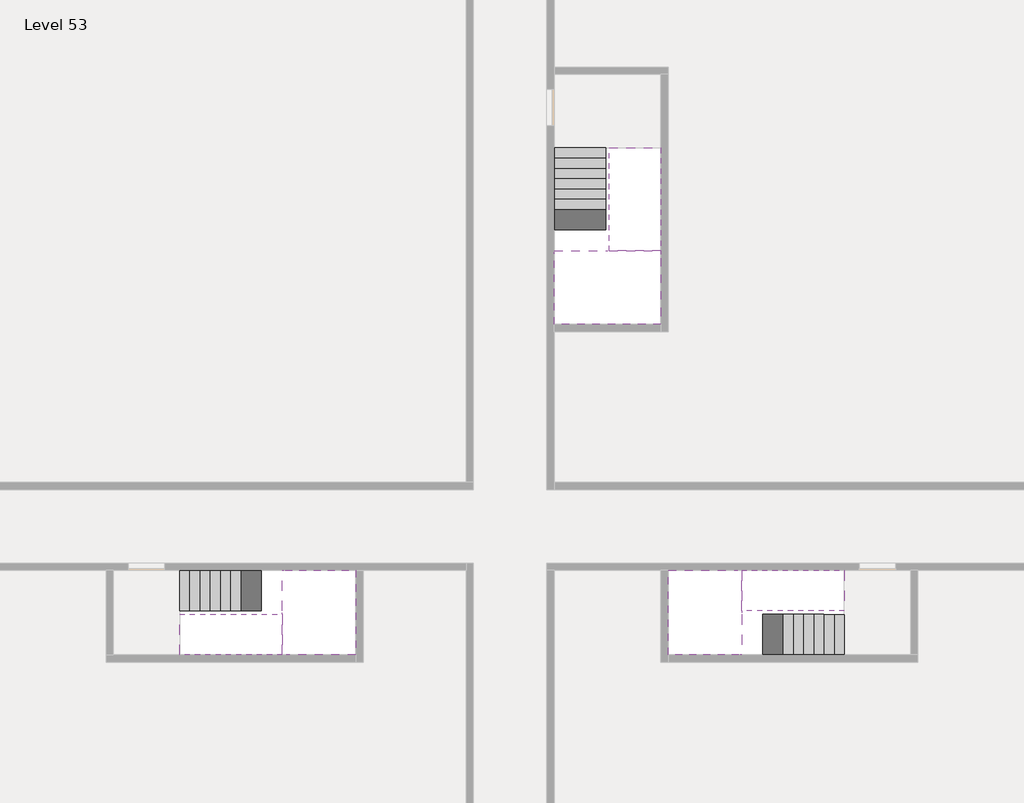
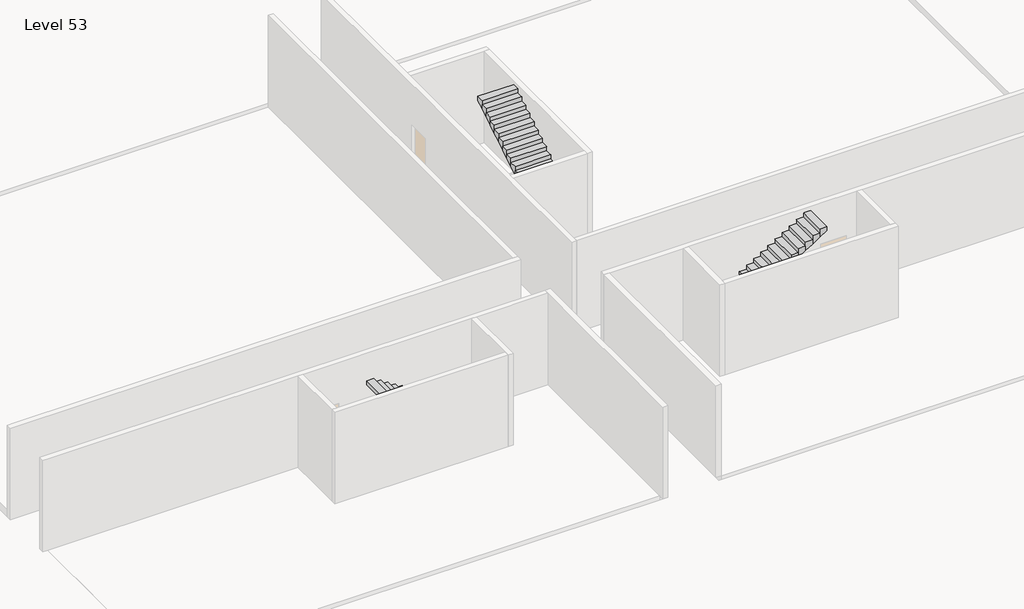
# One storey, part 2 of 2: 6 stair flights, 3 slabs.
"""IFC4 building model written with IfcOpenShell, lengths in millimetres."""

from ifc_helpers import new_model, si_unit, origin, place, context, project, spatial, faceted_brep, element, save

model = new_model("IFC4")

# Units and contexts
model_context = context("Model", 3, world=origin())
ifc_project = project(units=[si_unit("LENGTHUNIT", "METRE", prefix="MILLI")], contexts=[model_context])

# Site, building, storey
site = spatial("IfcSite", under=ifc_project)
building = spatial("IfcBuilding", under=site)
storey = spatial("IfcBuildingStorey", under=building, Name="Level 53", Elevation=197600.0)

# Slabs
placement = place(None, origin())
element("IfcSlab", 1, at=placement, inside=storey, context=model_context, shape_type="Brep", body=[
    faceted_brep([(26790.1058784, -34218.09644, 199500.0), (25390.1058784, -34218.09644, 199500.0), (25390.1058784, -34297.4828763, 199500.0), (25390.1058784, -36218.09644, 199500.0), (28290.1058784, -36218.09644, 199500.0), (28290.1058784, -34418.7100038, 199500.0), (28290.1058784, -34218.09644, 199500.0), (26890.1058784, -34218.09644, 199500.0), (26790.1058784, -34218.09644, 199200.0), (26790.1058784, -34218.09644, 199151.0278478), (25390.1058784, -34218.09644, 199151.0278478), (25390.1058784, -34218.09644, 199327.2727273), (25390.1058784, -34297.4828763, 199200.0), (25390.1058784, -36218.09644, 199200.0), (28290.1058784, -36218.09644, 199200.0), (28290.1058784, -34418.7100038, 199200.0), (28290.1058784, -34218.09644, 199323.7551205), (26890.1058784, -34218.09644, 199323.7551205), (26890.1058784, -34218.09644, 199200.0), (26890.1058784, -34418.7100038, 199200.0), (26790.1058784, -34297.4828763, 199200.0)], [[[0, 1, 2, 3, 4, 5, 6, 7]], [[1, 0, 8, 9, 10, 11]], [[1, 11, 10, 12, 13, 3, 2]], [[4, 3, 13, 14]], [[4, 14, 15, 16, 6, 5]], [[7, 6, 16, 17]], [[0, 7, 17, 18, 8]], [[18, 19, 15, 14, 13, 12, 20, 8]], [[19, 18, 17]], [[20, 12, 10, 9]], [[8, 20, 9]], [[15, 19, 17, 16]]]),
])
element("IfcSlab", 2, at=placement, inside=storey, context=model_context, shape_type="Brep", body=[
    faceted_brep([(30490.1058784, -45218.09644, 199500.0), (30490.1058784, -44118.09644, 199500.0), (30490.1058784, -44018.09644, 199500.0), (30490.1058784, -42918.09644, 199500.0), (30289.4923146, -42918.09644, 199500.0), (28490.1058784, -42918.09644, 199500.0), (28490.1058784, -45218.09644, 199500.0), (30410.7194421, -45218.09644, 199500.0), (30490.1058784, -45218.09644, 199327.2727273), (30490.1058784, -45218.09644, 199151.0278478), (30490.1058784, -44118.09644, 199151.0278478), (30490.1058784, -44118.09644, 199200.0), (30490.1058784, -44018.09644, 199200.0), (30490.1058784, -44018.09644, 199323.7551205), (30490.1058784, -42918.09644, 199323.7551205), (30289.4923146, -42918.09644, 199200.0), (28490.1058784, -42918.09644, 199200.0), (28490.1058784, -45218.09644, 199200.0), (30410.7194421, -45218.09644, 199200.0), (30289.4923146, -44018.09644, 199200.0), (30410.7194421, -44118.09644, 199200.0)], [[[0, 1, 2, 3, 4, 5, 6, 7]], [[1, 0, 8, 9, 10, 11]], [[2, 1, 11, 12, 13]], [[3, 2, 13, 14]], [[3, 14, 15, 16, 5, 4]], [[6, 5, 16, 17]], [[9, 8, 0, 7, 6, 17, 18]], [[19, 12, 11, 20, 18, 17, 16, 15]], [[12, 19, 13]], [[18, 20, 10, 9]], [[20, 11, 10]], [[19, 15, 14, 13]]]),
])
element("IfcSlab", 3, at=placement, inside=storey, context=model_context, shape_type="Brep", body=[
    faceted_brep([(17990.1058784, -42918.09644, 199500.0), (17990.1058784, -44018.09644, 199500.0), (17990.1058784, -44118.09644, 199500.0), (17990.1058784, -45218.09644, 199500.0), (18190.7194421, -45218.09644, 199500.0), (19990.1058784, -45218.09644, 199500.0), (19990.1058784, -42918.09644, 199500.0), (18069.4923146, -42918.09644, 199500.0), (17990.1058784, -42918.09644, 199327.2727273), (17990.1058784, -42918.09644, 199151.0278478), (17990.1058784, -44018.09644, 199151.0278478), (17990.1058784, -44018.09644, 199200.0), (17990.1058784, -44118.09644, 199200.0), (17990.1058784, -44118.09644, 199323.7551205), (17990.1058784, -45218.09644, 199323.7551205), (18190.7194421, -45218.09644, 199200.0), (19990.1058784, -45218.09644, 199200.0), (19990.1058784, -42918.09644, 199200.0), (18069.4923146, -42918.09644, 199200.0), (18190.7194421, -44118.09644, 199200.0), (18069.4923146, -44018.09644, 199200.0)], [[[0, 1, 2, 3, 4, 5, 6, 7]], [[1, 0, 8, 9, 10, 11]], [[2, 1, 11, 12, 13]], [[3, 2, 13, 14]], [[3, 14, 15, 16, 5, 4]], [[6, 5, 16, 17]], [[9, 8, 0, 7, 6, 17, 18]], [[19, 12, 11, 20, 18, 17, 16, 15]], [[12, 19, 13]], [[18, 20, 10, 9]], [[20, 11, 10]], [[19, 15, 14, 13]]]),
])

# Stair flights
element("IfcStairFlight", 4, at=placement, inside=storey, context=model_context, shape_type="Brep", body=[
    faceted_brep([(26790.1058784, -31698.09644, 197772.7272727), (26790.1058784, -31418.09644, 197772.7272727), (25390.1058784, -31418.09644, 197772.7272727), (25390.1058784, -31698.09644, 197772.7272727), (26790.1058784, -31698.09644, 197600.0), (26790.1058784, -31418.09644, 197600.0), (25390.1058784, -31418.09644, 197600.0), (25390.1058784, -31698.09644, 197600.0), (26790.1058784, -31978.09644, 197945.4545455), (26790.1058784, -31698.09644, 197945.4545455), (25390.1058784, -31698.09644, 197945.4545455), (25390.1058784, -31978.09644, 197945.4545455), (26790.1058784, -31978.09644, 197769.209666), (26790.1058784, -31703.7986657, 197600.0), (25390.1058784, -31703.7986657, 197600.0), (25390.1058784, -31978.09644, 197769.209666), (26790.1058784, -32258.09644, 198118.1818182), (26790.1058784, -31978.09644, 198118.1818182), (25390.1058784, -31978.09644, 198118.1818182), (25390.1058784, -32258.09644, 198118.1818182), (26790.1058784, -32258.09644, 197941.9369387), (25390.1058784, -32258.09644, 197941.9369387), (26790.1058784, -32538.09644, 198290.9090909), (26790.1058784, -32258.09644, 198290.9090909), (25390.1058784, -32258.09644, 198290.9090909), (25390.1058784, -32538.09644, 198290.9090909), (26790.1058784, -32538.09644, 198114.6642114), (25390.1058784, -32538.09644, 198114.6642114), (26790.1058784, -32818.09644, 198463.6363636), (26790.1058784, -32538.09644, 198463.6363636), (25390.1058784, -32538.09644, 198463.6363636), (25390.1058784, -32818.09644, 198463.6363636), (26790.1058784, -32818.09644, 198287.3914841), (25390.1058784, -32818.09644, 198287.3914841), (26790.1058784, -33098.09644, 198636.3636364), (26790.1058784, -32818.09644, 198636.3636364), (25390.1058784, -32818.09644, 198636.3636364), (25390.1058784, -33098.09644, 198636.3636364), (26790.1058784, -33098.09644, 198460.1187569), (25390.1058784, -33098.09644, 198460.1187569), (26790.1058784, -33378.09644, 198809.0909091), (26790.1058784, -33098.09644, 198809.0909091), (25390.1058784, -33098.09644, 198809.0909091), (25390.1058784, -33378.09644, 198809.0909091), (26790.1058784, -33378.09644, 198632.8460296), (25390.1058784, -33378.09644, 198632.8460296), (26790.1058784, -33658.09644, 198981.8181818), (26790.1058784, -33378.09644, 198981.8181818), (25390.1058784, -33378.09644, 198981.8181818), (25390.1058784, -33658.09644, 198981.8181818), (26790.1058784, -33658.09644, 198805.5733023), (25390.1058784, -33658.09644, 198805.5733023), (26790.1058784, -33938.09644, 199154.5454545), (26790.1058784, -33658.09644, 199154.5454545), (25390.1058784, -33658.09644, 199154.5454545), (25390.1058784, -33938.09644, 199154.5454545), (26790.1058784, -33938.09644, 198978.3005751), (25390.1058784, -33938.09644, 198978.3005751), (26790.1058784, -34218.09644, 199327.2727273), (26790.1058784, -33938.09644, 199327.2727273), (25390.1058784, -33938.09644, 199327.2727273), (25390.1058784, -34218.09644, 199327.2727273), (26790.1058784, -34218.09644, 199200.0), (26790.1058784, -34218.09644, 199151.0278478), (25390.1058784, -34218.09644, 199151.0278478)], [[[0, 1, 2, 3]], [[1, 0, 4, 5]], [[2, 1, 5, 6]], [[3, 2, 6, 7]], [[8, 9, 10, 11]], [[4, 0, 9, 8, 12, 13]], [[0, 3, 10, 9]], [[3, 7, 14, 15, 11, 10]], [[16, 17, 18, 19]], [[17, 16, 20, 12, 8]], [[8, 11, 18, 17]], [[19, 18, 11, 15, 21]], [[22, 23, 24, 25]], [[23, 22, 26, 20, 16]], [[16, 19, 24, 23]], [[25, 24, 19, 21, 27]], [[28, 29, 30, 31]], [[29, 28, 32, 26, 22]], [[22, 25, 30, 29]], [[31, 30, 25, 27, 33]], [[34, 35, 36, 37]], [[35, 34, 38, 32, 28]], [[28, 31, 36, 35]], [[37, 36, 31, 33, 39]], [[40, 41, 42, 43]], [[41, 40, 44, 38, 34]], [[34, 37, 42, 41]], [[43, 42, 37, 39, 45]], [[46, 47, 48, 49]], [[47, 46, 50, 44, 40]], [[40, 43, 48, 47]], [[49, 48, 43, 45, 51]], [[52, 53, 54, 55]], [[53, 52, 56, 50, 46]], [[46, 49, 54, 53]], [[55, 54, 49, 51, 57]], [[58, 59, 60, 61]], [[59, 58, 62, 63, 56, 52]], [[52, 55, 60, 59]], [[61, 60, 55, 57, 64]], [[58, 61, 64, 63, 62]], [[5, 4, 13, 14, 7, 6]], [[14, 13, 12, 20, 26, 32, 38, 44, 50, 56, 63, 64, 57, 51, 45, 39, 33, 27, 21, 15]]]),
])
element("IfcStairFlight", 5, at=placement, inside=storey, context=model_context, shape_type="Brep", body=[
    faceted_brep([(26890.1058784, -33938.09644, 199672.7272727), (26890.1058784, -34218.09644, 199672.7272727), (28290.1058784, -34218.09644, 199672.7272727), (28290.1058784, -33938.09644, 199672.7272727), (26890.1058784, -33938.09644, 199496.4823932), (26890.1058784, -34218.09644, 199323.7551205), (28290.1058784, -34218.09644, 199323.7551205), (28290.1058784, -34218.09644, 199500.0), (28290.1058784, -33938.09644, 199496.4823932), (26890.1058784, -33658.09644, 199845.4545455), (26890.1058784, -33938.09644, 199845.4545455), (28290.1058784, -33938.09644, 199845.4545455), (28290.1058784, -33658.09644, 199845.4545455), (26890.1058784, -33658.09644, 199669.209666), (28290.1058784, -33658.09644, 199669.209666), (26890.1058784, -33378.09644, 200018.1818182), (26890.1058784, -33658.09644, 200018.1818182), (28290.1058784, -33658.09644, 200018.1818182), (28290.1058784, -33378.09644, 200018.1818182), (26890.1058784, -33378.09644, 199841.9369387), (28290.1058784, -33378.09644, 199841.9369387), (26890.1058784, -33098.09644, 200190.9090909), (26890.1058784, -33378.09644, 200190.9090909), (28290.1058784, -33378.09644, 200190.9090909), (28290.1058784, -33098.09644, 200190.9090909), (26890.1058784, -33098.09644, 200014.6642114), (28290.1058784, -33098.09644, 200014.6642114), (26890.1058784, -32818.09644, 200363.6363636), (26890.1058784, -33098.09644, 200363.6363636), (28290.1058784, -33098.09644, 200363.6363636), (28290.1058784, -32818.09644, 200363.6363636), (26890.1058784, -32818.09644, 200187.3914841), (28290.1058784, -32818.09644, 200187.3914841), (26890.1058784, -32538.09644, 200536.3636364), (26890.1058784, -32818.09644, 200536.3636364), (28290.1058784, -32818.09644, 200536.3636364), (28290.1058784, -32538.09644, 200536.3636364), (26890.1058784, -32538.09644, 200360.1187569), (28290.1058784, -32538.09644, 200360.1187569), (26890.1058784, -32258.09644, 200709.0909091), (26890.1058784, -32538.09644, 200709.0909091), (28290.1058784, -32538.09644, 200709.0909091), (28290.1058784, -32258.09644, 200709.0909091), (26890.1058784, -32258.09644, 200532.8460296), (28290.1058784, -32258.09644, 200532.8460296), (26890.1058784, -31978.09644, 200881.8181818), (26890.1058784, -32258.09644, 200881.8181818), (28290.1058784, -32258.09644, 200881.8181818), (28290.1058784, -31978.09644, 200881.8181818), (26890.1058784, -31978.09644, 200705.5733023), (28290.1058784, -31978.09644, 200705.5733023), (26890.1058784, -31698.09644, 201054.5454545), (26890.1058784, -31978.09644, 201054.5454545), (28290.1058784, -31978.09644, 201054.5454545), (28290.1058784, -31698.09644, 201054.5454545), (26890.1058784, -31698.09644, 200878.3005751), (28290.1058784, -31698.09644, 200878.3005751), (26890.1058784, -31418.09644, 201227.2727273), (26890.1058784, -31698.09644, 201227.2727273), (28290.1058784, -31698.09644, 201227.2727273), (28290.1058784, -31418.09644, 201227.2727273), (26890.1058784, -31418.09644, 201051.0278478), (28290.1058784, -31418.09644, 201051.0278478)], [[[0, 1, 2, 3]], [[1, 0, 4, 5]], [[2, 1, 5, 6, 7]], [[3, 2, 7, 6, 8]], [[9, 10, 11, 12]], [[10, 9, 13, 4, 0]], [[11, 10, 0, 3]], [[12, 11, 3, 8, 14]], [[15, 16, 17, 18]], [[16, 15, 19, 13, 9]], [[17, 16, 9, 12]], [[18, 17, 12, 14, 20]], [[21, 22, 23, 24]], [[22, 21, 25, 19, 15]], [[23, 22, 15, 18]], [[24, 23, 18, 20, 26]], [[27, 28, 29, 30]], [[28, 27, 31, 25, 21]], [[29, 28, 21, 24]], [[30, 29, 24, 26, 32]], [[33, 34, 35, 36]], [[34, 33, 37, 31, 27]], [[35, 34, 27, 30]], [[36, 35, 30, 32, 38]], [[39, 40, 41, 42]], [[40, 39, 43, 37, 33]], [[41, 40, 33, 36]], [[42, 41, 36, 38, 44]], [[45, 46, 47, 48]], [[46, 45, 49, 43, 39]], [[47, 46, 39, 42]], [[48, 47, 42, 44, 50]], [[51, 52, 53, 54]], [[52, 51, 55, 49, 45]], [[53, 52, 45, 48]], [[54, 53, 48, 50, 56]], [[57, 58, 59, 60]], [[58, 57, 61, 55, 51]], [[59, 58, 51, 54]], [[60, 59, 54, 56, 62]], [[57, 60, 62, 61]], [[5, 4, 13, 19, 25, 31, 37, 43, 49, 55, 61, 62, 56, 50, 44, 38, 32, 26, 20, 14, 8, 6]]]),
])
element("IfcStairFlight", 6, at=placement, inside=storey, context=model_context, shape_type="Brep", body=[
    faceted_brep([(33010.1058784, -45218.09644, 197772.7272727), (33290.1058784, -45218.09644, 197772.7272727), (33290.1058784, -44118.09644, 197772.7272727), (33010.1058784, -44118.09644, 197772.7272727), (33010.1058784, -45218.09644, 197600.0), (33290.1058784, -45218.09644, 197600.0), (33290.1058784, -44118.09644, 197600.0), (33010.1058784, -44118.09644, 197600.0), (32730.1058784, -45218.09644, 197945.4545455), (33010.1058784, -45218.09644, 197945.4545455), (33010.1058784, -44118.09644, 197945.4545455), (32730.1058784, -44118.09644, 197945.4545455), (32730.1058784, -45218.09644, 197769.209666), (33004.4036527, -45218.09644, 197600.0), (33004.4036527, -44118.09644, 197600.0), (32730.1058784, -44118.09644, 197769.209666), (32450.1058784, -45218.09644, 198118.1818182), (32730.1058784, -45218.09644, 198118.1818182), (32730.1058784, -44118.09644, 198118.1818182), (32450.1058784, -44118.09644, 198118.1818182), (32450.1058784, -45218.09644, 197941.9369387), (32450.1058784, -44118.09644, 197941.9369387), (32170.1058784, -45218.09644, 198290.9090909), (32450.1058784, -45218.09644, 198290.9090909), (32450.1058784, -44118.09644, 198290.9090909), (32170.1058784, -44118.09644, 198290.9090909), (32170.1058784, -45218.09644, 198114.6642114), (32170.1058784, -44118.09644, 198114.6642114), (31890.1058784, -45218.09644, 198463.6363636), (32170.1058784, -45218.09644, 198463.6363636), (32170.1058784, -44118.09644, 198463.6363636), (31890.1058784, -44118.09644, 198463.6363636), (31890.1058784, -45218.09644, 198287.3914841), (31890.1058784, -44118.09644, 198287.3914841), (31610.1058784, -45218.09644, 198636.3636364), (31890.1058784, -45218.09644, 198636.3636364), (31890.1058784, -44118.09644, 198636.3636364), (31610.1058784, -44118.09644, 198636.3636364), (31610.1058784, -45218.09644, 198460.1187569), (31610.1058784, -44118.09644, 198460.1187569), (31330.1058784, -45218.09644, 198809.0909091), (31610.1058784, -45218.09644, 198809.0909091), (31610.1058784, -44118.09644, 198809.0909091), (31330.1058784, -44118.09644, 198809.0909091), (31330.1058784, -45218.09644, 198632.8460296), (31330.1058784, -44118.09644, 198632.8460296), (31050.1058784, -45218.09644, 198981.8181818), (31330.1058784, -45218.09644, 198981.8181818), (31330.1058784, -44118.09644, 198981.8181818), (31050.1058784, -44118.09644, 198981.8181818), (31050.1058784, -45218.09644, 198805.5733023), (31050.1058784, -44118.09644, 198805.5733023), (30770.1058784, -45218.09644, 199154.5454545), (31050.1058784, -45218.09644, 199154.5454545), (31050.1058784, -44118.09644, 199154.5454545), (30770.1058784, -44118.09644, 199154.5454545), (30770.1058784, -45218.09644, 198978.3005751), (30770.1058784, -44118.09644, 198978.3005751), (30490.1058784, -45218.09644, 199327.2727273), (30770.1058784, -45218.09644, 199327.2727273), (30770.1058784, -44118.09644, 199327.2727273), (30490.1058784, -44118.09644, 199327.2727273), (30490.1058784, -45218.09644, 199151.0278478), (30490.1058784, -44118.09644, 199151.0278478), (30490.1058784, -44118.09644, 199200.0)], [[[0, 1, 2, 3]], [[1, 0, 4, 5]], [[2, 1, 5, 6]], [[3, 2, 6, 7]], [[8, 9, 10, 11]], [[4, 0, 9, 8, 12, 13]], [[0, 3, 10, 9]], [[3, 7, 14, 15, 11, 10]], [[16, 17, 18, 19]], [[17, 16, 20, 12, 8]], [[8, 11, 18, 17]], [[19, 18, 11, 15, 21]], [[22, 23, 24, 25]], [[23, 22, 26, 20, 16]], [[16, 19, 24, 23]], [[25, 24, 19, 21, 27]], [[28, 29, 30, 31]], [[29, 28, 32, 26, 22]], [[22, 25, 30, 29]], [[31, 30, 25, 27, 33]], [[34, 35, 36, 37]], [[35, 34, 38, 32, 28]], [[28, 31, 36, 35]], [[37, 36, 31, 33, 39]], [[40, 41, 42, 43]], [[41, 40, 44, 38, 34]], [[34, 37, 42, 41]], [[43, 42, 37, 39, 45]], [[46, 47, 48, 49]], [[47, 46, 50, 44, 40]], [[40, 43, 48, 47]], [[49, 48, 43, 45, 51]], [[52, 53, 54, 55]], [[53, 52, 56, 50, 46]], [[46, 49, 54, 53]], [[55, 54, 49, 51, 57]], [[58, 59, 60, 61]], [[59, 58, 62, 56, 52]], [[52, 55, 60, 59]], [[61, 60, 55, 57, 63, 64]], [[58, 61, 64, 63, 62]], [[5, 4, 13, 14, 7, 6]], [[14, 13, 12, 20, 26, 32, 38, 44, 50, 56, 62, 63, 57, 51, 45, 39, 33, 27, 21, 15]]]),
])
element("IfcStairFlight", 7, at=placement, inside=storey, context=model_context, shape_type="Brep", body=[
    faceted_brep([(30770.1058784, -42918.09644, 199672.7272727), (30490.1058784, -42918.09644, 199672.7272727), (30490.1058784, -44018.09644, 199672.7272727), (30770.1058784, -44018.09644, 199672.7272727), (30770.1058784, -42918.09644, 199496.4823932), (30490.1058784, -42918.09644, 199323.7551205), (30490.1058784, -42918.09644, 199500.0), (30490.1058784, -44018.09644, 199323.7551205), (30770.1058784, -44018.09644, 199496.4823932), (31050.1058784, -42918.09644, 199845.4545455), (30770.1058784, -42918.09644, 199845.4545455), (30770.1058784, -44018.09644, 199845.4545455), (31050.1058784, -44018.09644, 199845.4545455), (31050.1058784, -42918.09644, 199669.209666), (31050.1058784, -44018.09644, 199669.209666), (31330.1058784, -42918.09644, 200018.1818182), (31050.1058784, -42918.09644, 200018.1818182), (31050.1058784, -44018.09644, 200018.1818182), (31330.1058784, -44018.09644, 200018.1818182), (31330.1058784, -42918.09644, 199841.9369387), (31330.1058784, -44018.09644, 199841.9369387), (31610.1058784, -42918.09644, 200190.9090909), (31330.1058784, -42918.09644, 200190.9090909), (31330.1058784, -44018.09644, 200190.9090909), (31610.1058784, -44018.09644, 200190.9090909), (31610.1058784, -42918.09644, 200014.6642114), (31610.1058784, -44018.09644, 200014.6642114), (31890.1058784, -42918.09644, 200363.6363636), (31610.1058784, -42918.09644, 200363.6363636), (31610.1058784, -44018.09644, 200363.6363636), (31890.1058784, -44018.09644, 200363.6363636), (31890.1058784, -42918.09644, 200187.3914841), (31890.1058784, -44018.09644, 200187.3914841), (32170.1058784, -42918.09644, 200536.3636364), (31890.1058784, -42918.09644, 200536.3636364), (31890.1058784, -44018.09644, 200536.3636364), (32170.1058784, -44018.09644, 200536.3636364), (32170.1058784, -42918.09644, 200360.1187569), (32170.1058784, -44018.09644, 200360.1187569), (32450.1058784, -42918.09644, 200709.0909091), (32170.1058784, -42918.09644, 200709.0909091), (32170.1058784, -44018.09644, 200709.0909091), (32450.1058784, -44018.09644, 200709.0909091), (32450.1058784, -42918.09644, 200532.8460296), (32450.1058784, -44018.09644, 200532.8460296), (32730.1058784, -42918.09644, 200881.8181818), (32450.1058784, -42918.09644, 200881.8181818), (32450.1058784, -44018.09644, 200881.8181818), (32730.1058784, -44018.09644, 200881.8181818), (32730.1058784, -42918.09644, 200705.5733023), (32730.1058784, -44018.09644, 200705.5733023), (33010.1058784, -42918.09644, 201054.5454545), (32730.1058784, -42918.09644, 201054.5454545), (32730.1058784, -44018.09644, 201054.5454545), (33010.1058784, -44018.09644, 201054.5454545), (33010.1058784, -42918.09644, 200878.3005751), (33010.1058784, -44018.09644, 200878.3005751), (33290.1058784, -42918.09644, 201227.2727273), (33010.1058784, -42918.09644, 201227.2727273), (33010.1058784, -44018.09644, 201227.2727273), (33290.1058784, -44018.09644, 201227.2727273), (33290.1058784, -42918.09644, 201051.0278478), (33290.1058784, -44018.09644, 201051.0278478)], [[[0, 1, 2, 3]], [[1, 0, 4, 5, 6]], [[2, 1, 6, 5, 7]], [[3, 2, 7, 8]], [[9, 10, 11, 12]], [[10, 9, 13, 4, 0]], [[11, 10, 0, 3]], [[12, 11, 3, 8, 14]], [[15, 16, 17, 18]], [[16, 15, 19, 13, 9]], [[17, 16, 9, 12]], [[18, 17, 12, 14, 20]], [[21, 22, 23, 24]], [[22, 21, 25, 19, 15]], [[23, 22, 15, 18]], [[24, 23, 18, 20, 26]], [[27, 28, 29, 30]], [[28, 27, 31, 25, 21]], [[29, 28, 21, 24]], [[30, 29, 24, 26, 32]], [[33, 34, 35, 36]], [[34, 33, 37, 31, 27]], [[35, 34, 27, 30]], [[36, 35, 30, 32, 38]], [[39, 40, 41, 42]], [[40, 39, 43, 37, 33]], [[41, 40, 33, 36]], [[42, 41, 36, 38, 44]], [[45, 46, 47, 48]], [[46, 45, 49, 43, 39]], [[47, 46, 39, 42]], [[48, 47, 42, 44, 50]], [[51, 52, 53, 54]], [[52, 51, 55, 49, 45]], [[53, 52, 45, 48]], [[54, 53, 48, 50, 56]], [[57, 58, 59, 60]], [[58, 57, 61, 55, 51]], [[59, 58, 51, 54]], [[60, 59, 54, 56, 62]], [[57, 60, 62, 61]], [[5, 4, 13, 19, 25, 31, 37, 43, 49, 55, 61, 62, 56, 50, 44, 38, 32, 26, 20, 14, 8, 7]]]),
])
element("IfcStairFlight", 8, at=placement, inside=storey, context=model_context, shape_type="Brep", body=[
    faceted_brep([(15470.1058784, -42918.09644, 197772.7272727), (15190.1058784, -42918.09644, 197772.7272727), (15190.1058784, -44018.09644, 197772.7272727), (15470.1058784, -44018.09644, 197772.7272727), (15470.1058784, -42918.09644, 197600.0), (15190.1058784, -42918.09644, 197600.0), (15190.1058784, -44018.09644, 197600.0), (15470.1058784, -44018.09644, 197600.0), (15750.1058784, -42918.09644, 197945.4545455), (15470.1058784, -42918.09644, 197945.4545455), (15470.1058784, -44018.09644, 197945.4545455), (15750.1058784, -44018.09644, 197945.4545455), (15750.1058784, -42918.09644, 197769.209666), (15475.8081041, -42918.09644, 197600.0), (15475.8081041, -44018.09644, 197600.0), (15750.1058784, -44018.09644, 197769.209666), (16030.1058784, -42918.09644, 198118.1818182), (15750.1058784, -42918.09644, 198118.1818182), (15750.1058784, -44018.09644, 198118.1818182), (16030.1058784, -44018.09644, 198118.1818182), (16030.1058784, -42918.09644, 197941.9369387), (16030.1058784, -44018.09644, 197941.9369387), (16310.1058784, -42918.09644, 198290.9090909), (16030.1058784, -42918.09644, 198290.9090909), (16030.1058784, -44018.09644, 198290.9090909), (16310.1058784, -44018.09644, 198290.9090909), (16310.1058784, -42918.09644, 198114.6642114), (16310.1058784, -44018.09644, 198114.6642114), (16590.1058784, -42918.09644, 198463.6363636), (16310.1058784, -42918.09644, 198463.6363636), (16310.1058784, -44018.09644, 198463.6363636), (16590.1058784, -44018.09644, 198463.6363636), (16590.1058784, -42918.09644, 198287.3914841), (16590.1058784, -44018.09644, 198287.3914841), (16870.1058784, -42918.09644, 198636.3636364), (16590.1058784, -42918.09644, 198636.3636364), (16590.1058784, -44018.09644, 198636.3636364), (16870.1058784, -44018.09644, 198636.3636364), (16870.1058784, -42918.09644, 198460.1187569), (16870.1058784, -44018.09644, 198460.1187569), (17150.1058784, -42918.09644, 198809.0909091), (16870.1058784, -42918.09644, 198809.0909091), (16870.1058784, -44018.09644, 198809.0909091), (17150.1058784, -44018.09644, 198809.0909091), (17150.1058784, -42918.09644, 198632.8460296), (17150.1058784, -44018.09644, 198632.8460296), (17430.1058784, -42918.09644, 198981.8181818), (17150.1058784, -42918.09644, 198981.8181818), (17150.1058784, -44018.09644, 198981.8181818), (17430.1058784, -44018.09644, 198981.8181818), (17430.1058784, -42918.09644, 198805.5733023), (17430.1058784, -44018.09644, 198805.5733023), (17710.1058784, -42918.09644, 199154.5454545), (17430.1058784, -42918.09644, 199154.5454545), (17430.1058784, -44018.09644, 199154.5454545), (17710.1058784, -44018.09644, 199154.5454545), (17710.1058784, -42918.09644, 198978.3005751), (17710.1058784, -44018.09644, 198978.3005751), (17990.1058784, -42918.09644, 199327.2727273), (17710.1058784, -42918.09644, 199327.2727273), (17710.1058784, -44018.09644, 199327.2727273), (17990.1058784, -44018.09644, 199327.2727273), (17990.1058784, -42918.09644, 199151.0278478), (17990.1058784, -44018.09644, 199151.0278478), (17990.1058784, -44018.09644, 199200.0)], [[[0, 1, 2, 3]], [[1, 0, 4, 5]], [[2, 1, 5, 6]], [[3, 2, 6, 7]], [[8, 9, 10, 11]], [[4, 0, 9, 8, 12, 13]], [[0, 3, 10, 9]], [[3, 7, 14, 15, 11, 10]], [[16, 17, 18, 19]], [[17, 16, 20, 12, 8]], [[8, 11, 18, 17]], [[19, 18, 11, 15, 21]], [[22, 23, 24, 25]], [[23, 22, 26, 20, 16]], [[16, 19, 24, 23]], [[25, 24, 19, 21, 27]], [[28, 29, 30, 31]], [[29, 28, 32, 26, 22]], [[22, 25, 30, 29]], [[31, 30, 25, 27, 33]], [[34, 35, 36, 37]], [[35, 34, 38, 32, 28]], [[28, 31, 36, 35]], [[37, 36, 31, 33, 39]], [[40, 41, 42, 43]], [[41, 40, 44, 38, 34]], [[34, 37, 42, 41]], [[43, 42, 37, 39, 45]], [[46, 47, 48, 49]], [[47, 46, 50, 44, 40]], [[40, 43, 48, 47]], [[49, 48, 43, 45, 51]], [[52, 53, 54, 55]], [[53, 52, 56, 50, 46]], [[46, 49, 54, 53]], [[55, 54, 49, 51, 57]], [[58, 59, 60, 61]], [[59, 58, 62, 56, 52]], [[52, 55, 60, 59]], [[61, 60, 55, 57, 63, 64]], [[58, 61, 64, 63, 62]], [[5, 4, 13, 14, 7, 6]], [[14, 13, 12, 20, 26, 32, 38, 44, 50, 56, 62, 63, 57, 51, 45, 39, 33, 27, 21, 15]]]),
])
element("IfcStairFlight", 9, at=placement, inside=storey, context=model_context, shape_type="Brep", body=[
    faceted_brep([(17710.1058784, -45218.09644, 199672.7272727), (17990.1058784, -45218.09644, 199672.7272727), (17990.1058784, -44118.09644, 199672.7272727), (17710.1058784, -44118.09644, 199672.7272727), (17710.1058784, -45218.09644, 199496.4823932), (17990.1058784, -45218.09644, 199323.7551205), (17990.1058784, -45218.09644, 199500.0), (17990.1058784, -44118.09644, 199323.7551205), (17710.1058784, -44118.09644, 199496.4823932), (17430.1058784, -45218.09644, 199845.4545455), (17710.1058784, -45218.09644, 199845.4545455), (17710.1058784, -44118.09644, 199845.4545455), (17430.1058784, -44118.09644, 199845.4545455), (17430.1058784, -45218.09644, 199669.209666), (17430.1058784, -44118.09644, 199669.209666), (17150.1058784, -45218.09644, 200018.1818182), (17430.1058784, -45218.09644, 200018.1818182), (17430.1058784, -44118.09644, 200018.1818182), (17150.1058784, -44118.09644, 200018.1818182), (17150.1058784, -45218.09644, 199841.9369387), (17150.1058784, -44118.09644, 199841.9369387), (16870.1058784, -45218.09644, 200190.9090909), (17150.1058784, -45218.09644, 200190.9090909), (17150.1058784, -44118.09644, 200190.9090909), (16870.1058784, -44118.09644, 200190.9090909), (16870.1058784, -45218.09644, 200014.6642114), (16870.1058784, -44118.09644, 200014.6642114), (16590.1058784, -45218.09644, 200363.6363636), (16870.1058784, -45218.09644, 200363.6363636), (16870.1058784, -44118.09644, 200363.6363636), (16590.1058784, -44118.09644, 200363.6363636), (16590.1058784, -45218.09644, 200187.3914841), (16590.1058784, -44118.09644, 200187.3914841), (16310.1058784, -45218.09644, 200536.3636364), (16590.1058784, -45218.09644, 200536.3636364), (16590.1058784, -44118.09644, 200536.3636364), (16310.1058784, -44118.09644, 200536.3636364), (16310.1058784, -45218.09644, 200360.1187569), (16310.1058784, -44118.09644, 200360.1187569), (16030.1058784, -45218.09644, 200709.0909091), (16310.1058784, -45218.09644, 200709.0909091), (16310.1058784, -44118.09644, 200709.0909091), (16030.1058784, -44118.09644, 200709.0909091), (16030.1058784, -45218.09644, 200532.8460296), (16030.1058784, -44118.09644, 200532.8460296), (15750.1058784, -45218.09644, 200881.8181818), (16030.1058784, -45218.09644, 200881.8181818), (16030.1058784, -44118.09644, 200881.8181818), (15750.1058784, -44118.09644, 200881.8181818), (15750.1058784, -45218.09644, 200705.5733023), (15750.1058784, -44118.09644, 200705.5733023), (15470.1058784, -45218.09644, 201054.5454545), (15750.1058784, -45218.09644, 201054.5454545), (15750.1058784, -44118.09644, 201054.5454545), (15470.1058784, -44118.09644, 201054.5454545), (15470.1058784, -45218.09644, 200878.3005751), (15470.1058784, -44118.09644, 200878.3005751), (15190.1058784, -45218.09644, 201227.2727273), (15470.1058784, -45218.09644, 201227.2727273), (15470.1058784, -44118.09644, 201227.2727273), (15190.1058784, -44118.09644, 201227.2727273), (15190.1058784, -45218.09644, 201051.0278478), (15190.1058784, -44118.09644, 201051.0278478)], [[[0, 1, 2, 3]], [[1, 0, 4, 5, 6]], [[2, 1, 6, 5, 7]], [[3, 2, 7, 8]], [[9, 10, 11, 12]], [[10, 9, 13, 4, 0]], [[11, 10, 0, 3]], [[12, 11, 3, 8, 14]], [[15, 16, 17, 18]], [[16, 15, 19, 13, 9]], [[17, 16, 9, 12]], [[18, 17, 12, 14, 20]], [[21, 22, 23, 24]], [[22, 21, 25, 19, 15]], [[23, 22, 15, 18]], [[24, 23, 18, 20, 26]], [[27, 28, 29, 30]], [[28, 27, 31, 25, 21]], [[29, 28, 21, 24]], [[30, 29, 24, 26, 32]], [[33, 34, 35, 36]], [[34, 33, 37, 31, 27]], [[35, 34, 27, 30]], [[36, 35, 30, 32, 38]], [[39, 40, 41, 42]], [[40, 39, 43, 37, 33]], [[41, 40, 33, 36]], [[42, 41, 36, 38, 44]], [[45, 46, 47, 48]], [[46, 45, 49, 43, 39]], [[47, 46, 39, 42]], [[48, 47, 42, 44, 50]], [[51, 52, 53, 54]], [[52, 51, 55, 49, 45]], [[53, 52, 45, 48]], [[54, 53, 48, 50, 56]], [[57, 58, 59, 60]], [[58, 57, 61, 55, 51]], [[59, 58, 51, 54]], [[60, 59, 54, 56, 62]], [[57, 60, 62, 61]], [[5, 4, 13, 19, 25, 31, 37, 43, 49, 55, 61, 62, 56, 50, 44, 38, 32, 26, 20, 14, 8, 7]]]),
])

save(model, "model.ifc")
